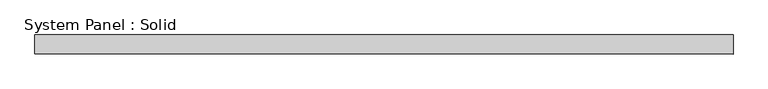
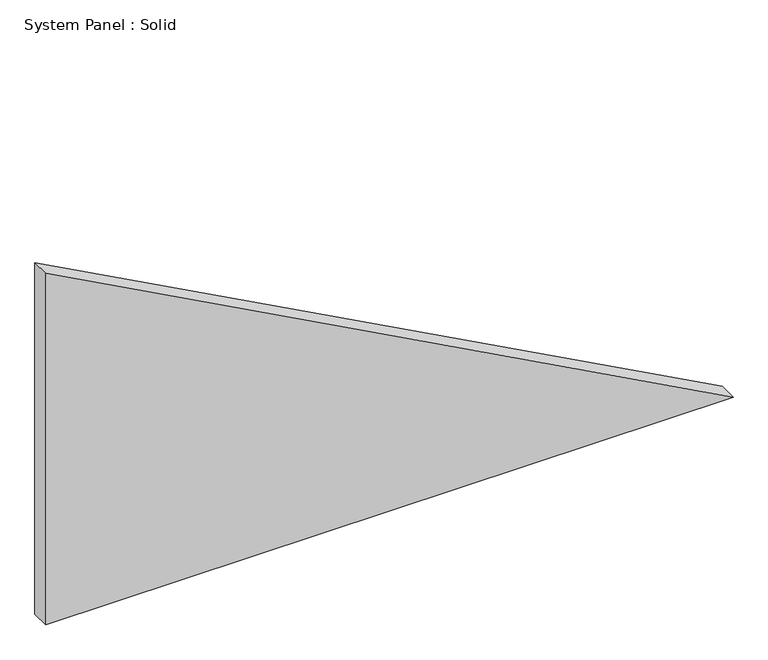
"""IFC4 building model written with IfcOpenShell, lengths in millimetres: plate geometry, System Panel : Solid."""

import ifcopenshell
import ifcopenshell.guid

model = None  # the IFC model being written
_history = None  # IfcOwnerHistory: only IFC2X3 demands one
_inside = {}  # id of a spatial element -> (the spatial element, [elements in it])
_under = {}  # id of a project, library or spatial element -> (it, [spatial elements below it])
_declared = {}  # id of a project -> (the project, [libraries it declares])
_typed = {}  # id of a type object -> (the type object, [elements of that type])
_made_of = {}  # id of a material, layer set ... -> (it, [elements and type objects made of it])


def new_model(schema):
    """Start an empty IFC model of exactly this schema.

    Asked for "IFC4X3", IfcOpenShell would pick the latest addendum, in which some entities
    have other attributes; the version numbers below select the first issue.
    IFC2X3 requires an IfcOwnerHistory on every rooted entity: one is made here for all.
    """
    global model, _history
    if schema == "IFC4X3":
        model = ifcopenshell.file(schema_version=(4, 3, 0, 0))
    else:
        model = ifcopenshell.file(schema=schema)
    _inside.clear()
    _under.clear()
    _declared.clear()
    _typed.clear()
    _made_of.clear()
    _history = None
    if model.schema == "IFC2X3":
        org = make("IfcOrganization", Name="unknown")
        user = make(
            "IfcPersonAndOrganization",
            ThePerson=make("IfcPerson", FamilyName="unknown"),
            TheOrganization=org,
        )
        app = make(
            "IfcApplication",
            ApplicationDeveloper=org,
            Version="unknown",
            ApplicationFullName="unknown",
            ApplicationIdentifier="unknown",
        )
        _history = make(
            "IfcOwnerHistory",
            OwningUser=user,
            OwningApplication=app,
            ChangeAction="ADDED",
            CreationDate=0,
        )
    return model


def make(cls, **values):
    """One entity of the class cls with the attributes given. An attribute that is None is left unset."""
    return model.create_entity(
        cls, **{name: value for name, value in values.items() if value is not None}
    )


def rooted(cls, **values):
    """An entity with a GlobalId (a new one), such as an element, a storey or a relation."""
    return make(cls, GlobalId=ifcopenshell.guid.new(), OwnerHistory=_history, **values)


def si_unit(unit_type, name, prefix=None):
    """IfcSIUnit, for example si_unit("LENGTHUNIT", "METRE", prefix="MILLI")."""
    return make("IfcSIUnit", UnitType=unit_type, Prefix=prefix, Name=name)


def assignment(units):
    """IfcUnitAssignment: the units of a project."""
    return None if units is None else make("IfcUnitAssignment", Units=units)


def point(xyz):
    """IfcCartesianPoint."""
    return None if xyz is None else make("IfcCartesianPoint", Coordinates=xyz)


def direction(xyz):
    """IfcDirection."""
    return None if xyz is None else make("IfcDirection", DirectionRatios=xyz)


def frame(location, z_axis=None, x_axis=None):
    """IfcAxis2Placement3D, a coordinate frame: its origin and axes. An axis left out is left unset."""
    return make(
        "IfcAxis2Placement3D",
        Location=point(location),
        Axis=direction(z_axis),
        RefDirection=direction(x_axis),
    )


def origin():
    """The frame at (0, 0, 0) with its axes left unset."""
    return frame((0.0, 0.0, 0.0))


def place(relative_to, where):
    """IfcLocalPlacement: puts the frame where relative to a parent placement (None: the world)."""
    return make(
        "IfcLocalPlacement", PlacementRelTo=relative_to, RelativePlacement=where
    )


def context(
    kind, dimensions, precision=None, world=None, true_north=None, identifier=None
):
    """IfcGeometricRepresentationContext, for example the 3D "Model" context."""
    return make(
        "IfcGeometricRepresentationContext",
        ContextIdentifier=identifier,
        ContextType=kind,
        CoordinateSpaceDimension=dimensions,
        Precision=precision,
        WorldCoordinateSystem=world,
        TrueNorth=true_north,
    )


def project(units=None, contexts=None):
    """IfcProject with its units and contexts."""
    return rooted(
        "IfcProject",
        Name="project",
        RepresentationContexts=contexts,
        UnitsInContext=assignment(units),
    )


def spatial(cls, under=None, at=None, **own):
    """A site, building, storey or space (cls), placed at a placement, below another one or the project."""
    s = rooted(cls, ObjectPlacement=at, **own)
    if under is not None:
        _under.setdefault(under.id(), (under, []))[1].append(s)
    return s


def polyline(points):
    """IfcPolyline through the points."""
    return make("IfcPolyline", Points=[point(p) for p in points])


def outline(outer, holes=None, kind="AREA"):
    """IfcArbitraryClosedProfileDef: a profile drawn as a closed curve; with holes, ...WithVoids."""
    if holes is None:
        return make("IfcArbitraryClosedProfileDef", ProfileType=kind, OuterCurve=outer)
    return make(
        "IfcArbitraryProfileDefWithVoids",
        ProfileType=kind,
        OuterCurve=outer,
        InnerCurves=holes,
    )


def extrude(swept, where, along, depth):
    """IfcExtrudedAreaSolid: the profile swept, set in the frame where, extruded along a direction by depth."""
    return make(
        "IfcExtrudedAreaSolid",
        SweptArea=swept,
        Position=where,
        ExtrudedDirection=direction(along),
        Depth=depth,
    )


def shape(context_of_items, identifier, shape_type, items):
    """IfcShapeRepresentation: the items that make up one representation, for example the "Body"."""
    return make(
        "IfcShapeRepresentation",
        ContextOfItems=context_of_items,
        RepresentationIdentifier=identifier,
        RepresentationType=shape_type,
        Items=items,
    )


def source(mapping_origin, context_of_items, identifier, shape_type, items):
    """IfcRepresentationMap: a shape defined once, which mapped items show again and again."""
    return make(
        "IfcRepresentationMap",
        MappingOrigin=mapping_origin,
        MappedRepresentation=shape(context_of_items, identifier, shape_type, items),
    )


def transform(
    local_origin,
    x_axis=None,
    y_axis=None,
    z_axis=None,
    scale=None,
    scale2=None,
    scale3=None,
    uniform=True,
):
    """IfcCartesianTransformationOperator3D, or its non-uniform kind. x_axis, y_axis, z_axis: its Axis1, 2, 3."""
    if uniform:
        return make(
            "IfcCartesianTransformationOperator3D",
            Axis1=direction(x_axis),
            Axis2=direction(y_axis),
            LocalOrigin=point(local_origin),
            Scale=scale,
            Axis3=direction(z_axis),
        )
    return make(
        "IfcCartesianTransformationOperator3DnonUniform",
        Axis1=direction(x_axis),
        Axis2=direction(y_axis),
        LocalOrigin=point(local_origin),
        Scale=scale,
        Axis3=direction(z_axis),
        Scale2=scale2,
        Scale3=scale3,
    )


def mapped(mapping_source, mapping_target):
    """IfcMappedItem: shows the shape of a source again, moved by a transform."""
    return make(
        "IfcMappedItem", MappingSource=mapping_source, MappingTarget=mapping_target
    )


def made_of(thing, what):
    """Note that an element or type object is made of a material, layer set ...; save() writes the relation."""
    if what is not None:
        _made_of.setdefault(what.id(), (what, []))[1].append(thing)
    return thing


def element(
    cls,
    number,
    at=None,
    inside=None,
    cuts=None,
    type_object=None,
    material=None,
    context=None,
    identifier="Body",
    shape_type=None,
    held_by="IfcProductDefinitionShape",
    body=None,
    shapes=None,
    **own,
):
    """One element of the class cls, such as IfcWall. Its Tag is "e" and its number.

    at: its placement. inside: the storey or other place that contains it. cuts: it is an
    opening in that element (IfcRelVoidsElement). A single representation is given by context,
    identifier, shape_type and body (its items); several are given by shapes. held_by: the class
    of the entity that holds the representations. save() writes the other relations.
    """
    e = rooted(cls, Tag="e%d" % number, ObjectPlacement=at, **own)
    if body is not None:
        shapes = [shape(context, identifier, shape_type, body)]
    if shapes is not None:
        e.Representation = make(held_by, Representations=shapes)
    if inside is not None:
        _inside.setdefault(inside.id(), (inside, []))[1].append(e)
    if cuts is not None:
        rooted(
            "IfcRelVoidsElement", RelatingBuildingElement=cuts, RelatedOpeningElement=e
        )
    if type_object is not None:
        _typed.setdefault(type_object.id(), (type_object, []))[1].append(e)
    return made_of(e, material)


def aggregate(whole, parts):
    """IfcRelAggregates: a whole, such as a stair, and the parts it consists of."""
    return rooted("IfcRelAggregates", RelatingObject=whole, RelatedObjects=parts)


def save(model, path):
    """Write the relations noted so far, then the file.

    IfcRelAggregates (storeys below a building ...), IfcRelContainedInSpatialStructure (elements
    in a storey), IfcRelDefinesByType, IfcRelAssociatesMaterial and IfcRelDeclares: one each for
    every whole, place, type object, material and project.
    """
    for whole, parts in _under.values():
        aggregate(whole, parts)
    for where, things in _inside.values():
        rooted(
            "IfcRelContainedInSpatialStructure",
            RelatedElements=things,
            RelatingStructure=where,
        )
    for kind, things in _typed.values():
        rooted("IfcRelDefinesByType", RelatedObjects=things, RelatingType=kind)
    for what, things in _made_of.values():
        rooted("IfcRelAssociatesMaterial", RelatedObjects=things, RelatingMaterial=what)
    for by, libraries in _declared.values():
        rooted("IfcRelDeclares", RelatingContext=by, RelatedDefinitions=libraries)
    model.write(path)


def system_panel_solid_4c9db385(model_context):
    return source(origin(), model_context, "Body", "SweptSolid", [
        extrude(outline(polyline([(0.0, -1099.3345767), (0.0, 1099.3345767), (1188.6543783, -1099.3345767), (0.0, -1099.3345767)])), frame((0.0, -10.5, 0.0), z_axis=(0.0, 1.0, 0.0), x_axis=(0.0, 0.0, 1.0)), (0.0, 0.0, 1.0), 60.0),
    ])


if __name__ == "__main__":
    model = new_model("IFC4")
    model_context = context("Model", 3, world=origin())
    ifc_project = project(units=[si_unit("LENGTHUNIT", "METRE", prefix="MILLI")], contexts=[model_context])
    site = spatial("IfcSite", under=ifc_project)
    building = spatial("IfcBuilding", under=site)
    placement = place(None, origin())
    system_panel_solid_shape = system_panel_solid_4c9db385(model_context)
    element("IfcPlate", 1, ObjectType="System Panel : Solid", at=placement, inside=building, context=model_context, shape_type="MappedRepresentation", body=[
        mapped(system_panel_solid_shape, transform((0.0, 0.0, 0.0), x_axis=(1.0, 0.0, 0.0), y_axis=(0.0, 1.0, 0.0), z_axis=(0.0, 0.0, 1.0))),
    ])
    save(model, "model.ifc")
